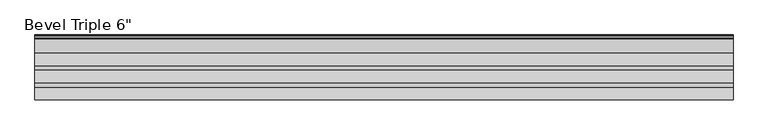
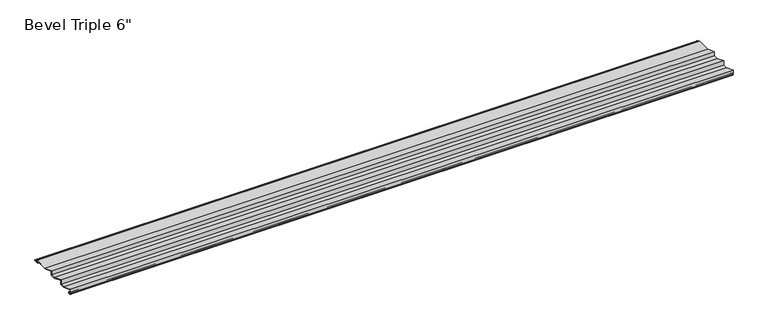
"""IFC4 building model written with IfcOpenShell, lengths in millimetres: proxy geometry."""

from ifc_helpers import new_model, si_unit, point, frame, frame_2d, origin, place, context, project, spatial, polyline, circle_curve, trimmed, segment, composite_curve, outline, extrude, source, transform, mapped, element, save


def proxy_56d5d18c(model_context):
    return source(origin(), model_context, "Body", "SweptSolid", [
        extrude(outline(composite_curve([segment(polyline([(46.07, 6.7066462), (31.4471381, 6.7066462), (1.6200129, 18.3556652), (1.6200129, 11.1630642)]), True, "CONTINUOUS"), segment(trimmed(circle_curve(frame_2d((2.1200129, 11.1630642)), 0.5), [point((1.6200129, 11.1630642))], [point((2.1964288, 10.6689381))], True, "CARTESIAN"), True, "CONTINUOUS"), segment(trimmed(circle_curve(frame_2d((2.5444203, 8.4187313)), 2.276956), [point((2.1964288, 10.6689381))], [point((4.157149, 10.0261002))], False, "CARTESIAN"), True, "CONTINUOUS"), segment(trimmed(circle_curve(frame_2d((5.2143342, 10.9003627)), 1.3718511), [point((4.157149, 10.0261002))], [point((5.2143342, 9.5285116))], True, "CARTESIAN"), True, "CONTINUOUS"), segment(polyline([(5.2143342, 9.5285116), (6.1143342, 9.5285116)]), True, "CONTINUOUS"), segment(trimmed(circle_curve(frame_2d((6.1143342, 7.2990307)), 2.2294809), [point((6.1143342, 9.5285116))], [point((6.1143342, 5.0695499))], False, "CARTESIAN"), True, "CONTINUOUS"), segment(polyline([(6.1143342, 5.0695499), (2.2799682, 5.0695499)]), True, "CONTINUOUS"), segment(trimmed(circle_curve(frame_2d((2.2799682, 5.7406692)), 0.6711194), [point((2.2799682, 5.0695499))], [point((2.2799682, 6.4117885))], False, "CARTESIAN"), True, "CONTINUOUS"), segment(polyline([(2.2799682, 6.4117885), (6.1143342, 6.4117886)]), True, "CONTINUOUS"), segment(trimmed(circle_curve(frame_2d((6.1143342, 7.2990307)), 0.8872422), [point((6.1143342, 6.4117886))], [point((6.1143342, 8.1862729))], True, "CARTESIAN"), True, "CONTINUOUS"), segment(polyline([(6.1143342, 8.1862729), (5.042458, 8.186273)]), True, "CONTINUOUS"), segment(trimmed(circle_curve(frame_2d((5.042458, 10.580668)), 2.394395), [point((5.042458, 8.186273))], [point((3.5461213, 8.7114157))], False, "CARTESIAN"), True, "CONTINUOUS"), segment(trimmed(circle_curve(frame_2d((2.6087218, 7.5403983)), 1.4999999), [point((3.5461213, 8.7114157))], [point((1.5093122, 8.5608385))], True, "CARTESIAN"), True, "CONTINUOUS"), segment(trimmed(circle_curve(frame_2d((0.8709548, 9.1533434)), 0.8709548), [point((1.5093122, 8.5608385))], [point((0.0, 9.1533434))], False, "CARTESIAN"), True, "CONTINUOUS"), segment(polyline([(0.0, 9.1533434), (0.0, 20.7275297), (31.75, 8.3275297), (44.45, 8.3275297), (44.45, 20.7275297), (76.2, 8.3275297), (88.9, 8.3275297), (88.9, 20.7275297), (121.1501116, 8.1322106), (158.1312491, 8.1322106)]), True, "CONTINUOUS"), segment(trimmed(circle_curve(frame_2d((158.1312491, 7.3217688)), 0.8104417), [point((158.1312491, 8.1322106))], [point((158.1312491, 6.5113271))], False, "CARTESIAN"), True, "CONTINUOUS"), segment(polyline([(158.1312491, 6.5113271), (154.5122537, 6.5113271)]), True, "CONTINUOUS"), segment(trimmed(circle_curve(frame_2d((154.5122537, 5.8113271)), 0.7), [point((154.5122537, 6.5113271))], [point((153.8924696, 5.4859539))], True, "CARTESIAN"), True, "CONTINUOUS"), segment(polyline([(153.8924696, 5.4859539), (154.948395, 3.4745844), (159.727488, 3.4745844), (160.2588473, 2.8682589), (166.0928283, 2.8682589), (166.8501267, 3.5037076), (167.8001267, 3.5037076)]), True, "CONTINUOUS"), segment(trimmed(circle_curve(frame_2d((167.8001267, 2.6787076)), 0.825), [point((167.8001267, 3.5037076))], [point((167.8001267, 1.8537076))], False, "CARTESIAN"), True, "CONTINUOUS"), segment(polyline([(167.8001267, 1.8537076), (153.9686528, 1.8537076), (151.4209652, 6.7066462), (120.3471381, 6.7066462), (90.52, 18.3556703), (90.52, 6.7066462), (75.8971381, 6.7066462), (46.07, 18.3556703), (46.07, 6.7066462)]), True, "CONTINUOUS")], self_intersect=False)), frame((0.0, 0.0, 0.0), z_axis=(1.0, 0.0, 0.0), x_axis=(0.0, 1.0, 0.0)), (0.0, 0.0, 1.0), 1815.546),
    ])


if __name__ == "__main__":
    model = new_model("IFC4")
    model_context = context("Model", 3, world=origin())
    ifc_project = project(units=[si_unit("LENGTHUNIT", "METRE", prefix="MILLI")], contexts=[model_context])
    site = spatial("IfcSite", under=ifc_project)
    building = spatial("IfcBuilding", under=site)
    placement = place(None, origin())
    proxy_shape = proxy_56d5d18c(model_context)
    element("IfcBuildingElementProxy", 1, Name="Bevel Triple 6\"", ObjectType="Bevel Triple 6\"", at=placement, inside=building, context=model_context, shape_type="MappedRepresentation", body=[
        mapped(proxy_shape, transform((0.0, 0.0, 0.0), x_axis=(1.0, 0.0, 0.0), y_axis=(0.0, 1.0, 0.0), z_axis=(0.0, 0.0, 1.0))),
    ])
    save(model, "model.ifc")
